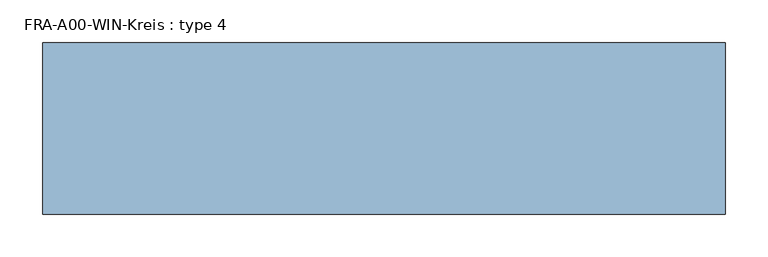
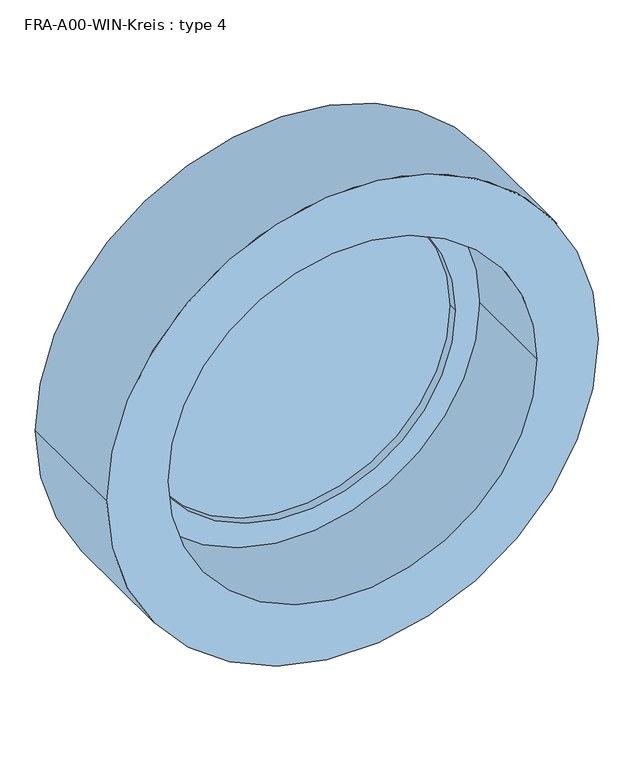
"""IFC4 building model written with IfcOpenShell, lengths in millimetres: window geometry, FRA-A00-WIN-Kreis : type 4."""

from ifc_helpers import new_model, si_unit, point, frame, frame_2d, origin, place, context, project, spatial, circle_curve, trimmed, segment, composite_curve, outline, extrude, source, transform, mapped, element, save


def fra_a00_win_kreis_type_4_9792db01(model_context):
    return source(origin(), model_context, "Body", "SweptSolid", [
        extrude(outline(composite_curve([segment(trimmed(circle_curve(frame_2d((1100.0, 0.0)), 260.0), [point((1100.0, -260.0))], [point((1100.0, 260.0))], False, "CARTESIAN"), True, "CONTINUOUS"), segment(trimmed(circle_curve(frame_2d((1100.0, 0.0)), 260.0), [point((1100.0, 260.0))], [point((1100.0, -260.0))], False, "CARTESIAN"), True, "CONTINUOUS")], self_intersect=False)), frame((0.0, -25.7410833, 0.0), z_axis=(0.0, 1.0, 0.0), x_axis=(0.0, 0.0, 1.0)), (0.0, 0.0, 1.0), 11.9097957),
        extrude(outline(composite_curve([segment(trimmed(circle_curve(frame_2d((1100.0, 0.0)), 300.0), [point((1100.0, -300.0))], [point((1100.0, 300.0))], False, "CARTESIAN"), True, "CONTINUOUS"), segment(trimmed(circle_curve(frame_2d((1100.0, 0.0)), 300.0), [point((1100.0, 300.0))], [point((1100.0, -300.0))], False, "CARTESIAN"), True, "CONTINUOUS")], self_intersect=False), holes=[composite_curve([segment(trimmed(circle_curve(frame_2d((1100.0, 0.0)), 260.0), [point((1100.0, 260.0))], [point((1100.0, -260.0))], True, "CARTESIAN"), True, "CONTINUOUS"), segment(trimmed(circle_curve(frame_2d((1100.0, 0.0)), 260.0), [point((1100.0, -260.0))], [point((1100.0, 260.0))], True, "CARTESIAN"), True, "CONTINUOUS")], self_intersect=False)]), frame((0.0, -40.0, 0.0), z_axis=(0.0, 1.0, 0.0), x_axis=(0.0, 0.0, 1.0)), (0.0, 0.0, 1.0), 40.0),
        extrude(outline(composite_curve([segment(trimmed(circle_curve(frame_2d((1100.0, 0.0)), 400.0), [point((1100.0, -400.0))], [point((1100.0, 400.0))], False, "CARTESIAN"), True, "CONTINUOUS"), segment(trimmed(circle_curve(frame_2d((1100.0, 0.0)), 400.0), [point((1100.0, 400.0))], [point((1100.0, -400.0))], False, "CARTESIAN"), True, "CONTINUOUS")], self_intersect=False), holes=[composite_curve([segment(trimmed(circle_curve(frame_2d((1100.0, 0.0)), 300.0), [point((1100.0, 300.0))], [point((1100.0, -300.0))], True, "CARTESIAN"), True, "CONTINUOUS"), segment(trimmed(circle_curve(frame_2d((1100.0, 0.0)), 300.0), [point((1100.0, -300.0))], [point((1100.0, 300.0))], True, "CARTESIAN"), True, "CONTINUOUS")], self_intersect=False)]), frame((0.0, -201.0, 0.0), z_axis=(0.0, 1.0, 0.0), x_axis=(0.0, 0.0, 1.0)), (0.0, 0.0, 1.0), 201.0),
    ])


if __name__ == "__main__":
    model = new_model("IFC4")
    model_context = context("Model", 3, world=origin())
    ifc_project = project(units=[si_unit("LENGTHUNIT", "METRE", prefix="MILLI")], contexts=[model_context])
    site = spatial("IfcSite", under=ifc_project)
    building = spatial("IfcBuilding", under=site)
    placement = place(None, origin())
    fra_a00_win_kreis_type_4_shape = fra_a00_win_kreis_type_4_9792db01(model_context)
    element("IfcWindow", 1, ObjectType="FRA-A00-WIN-Kreis : type 4", at=placement, inside=building, context=model_context, shape_type="MappedRepresentation", body=[
        mapped(fra_a00_win_kreis_type_4_shape, transform((0.0, 0.0, 0.0), x_axis=(1.0, 0.0, 0.0), y_axis=(0.0, 1.0, 0.0), z_axis=(0.0, 0.0, 1.0))),
    ])
    save(model, "model.ifc")
